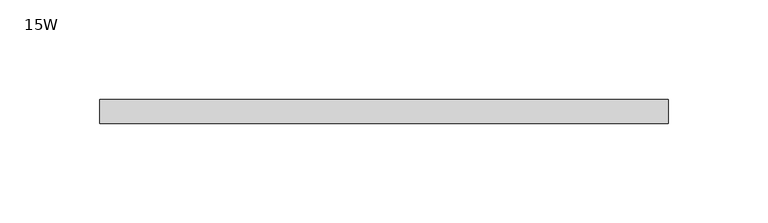
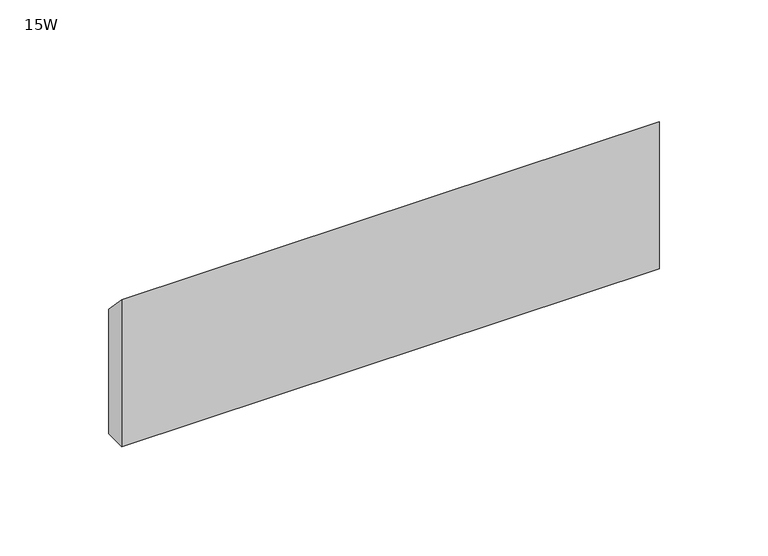
"""IFC4 building model written with IfcOpenShell, lengths in millimetres: furniture geometry, 15W."""

from ifc_helpers import new_model, si_unit, frame, origin, place, context, project, spatial, polyline, outline, extrude, source, transform, mapped, element, save


def furniture_15w_d833c34d(model_context):
    return source(origin(), model_context, "Body", "SweptSolid", [
        extrude(outline(polyline([(-11.938, 799.73932), (-11.938, 882.28932), (0.0, 869.58932), (0.0, 799.73932), (-11.938, 799.73932)])), frame((48.006, 0.0, 0.0), z_axis=(1.0, 0.0, 0.0), x_axis=(0.0, 1.0, 0.0)), (0.0, 0.0, 1.0), 284.988),
    ])


if __name__ == "__main__":
    model = new_model("IFC4")
    model_context = context("Model", 3, world=origin())
    ifc_project = project(units=[si_unit("LENGTHUNIT", "METRE", prefix="MILLI")], contexts=[model_context])
    site = spatial("IfcSite", under=ifc_project)
    building = spatial("IfcBuilding", under=site)
    placement = place(None, origin())
    furniture_15w_shape = furniture_15w_d833c34d(model_context)
    element("IfcFurniture", 1, ObjectType="15W", at=placement, inside=building, context=model_context, shape_type="MappedRepresentation", body=[
        mapped(furniture_15w_shape, transform((0.0, 0.0, 0.0), x_axis=(1.0, 0.0, 0.0), y_axis=(0.0, 1.0, 0.0), z_axis=(0.0, 0.0, 1.0))),
    ])
    save(model, "model.ifc")
